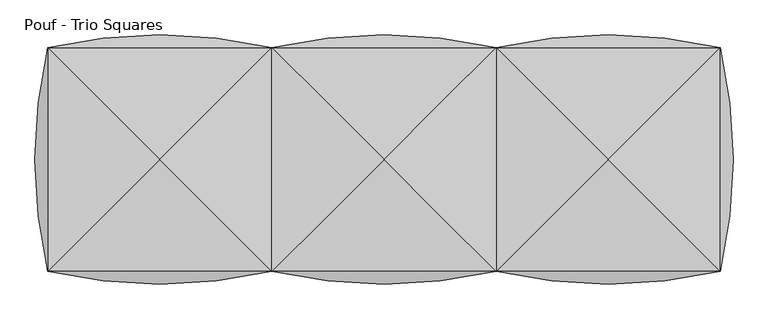
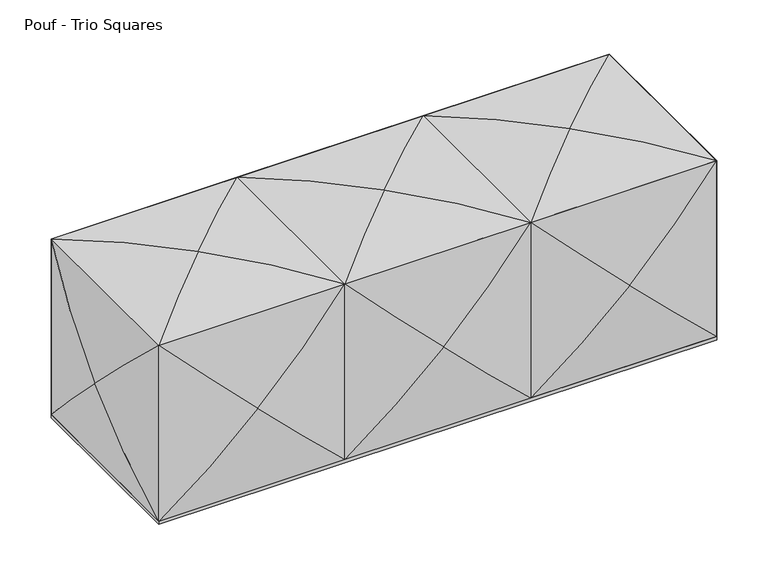
"""IFC4 building model written with IfcOpenShell, lengths in millimetres: furniture geometry, Pouf - Trio Squares."""

from ifc_helpers import new_model, si_unit, frame, origin, origin_with_axes, place, context, project, spatial, polyline, ellipse_curve, outline, extrude, source, transform, mapped, element, save
from ifc_brep_helpers import plane_surface, cylinder_surface, advanced_brep


def pouf_trio_squares_4c4eb444(model_context):
    return source(origin(), model_context, "Body", "SolidModel", [
        advanced_brep(
        [(86.487, -262.2530156, 458.216), (86.487, -262.2530156, 8.89), (535.813, -262.2530156, 8.89), (535.813, -262.2530156, 458.216), (311.15, -236.8530156, 233.553)],
        [
            (0, 1),
            (1, 2),
            (2, 3),
            (3, 0),
            (0, 4, ellipse_curve(frame((311.15, -1243.1251331, 233.553), z_axis=(-0.7071067811865464, 0.0, -0.7071067811865487), x_axis=(-0.7071067811865487, 0.0, 0.7071067811865465)), 1423.083676, 1006.2721175)),
            (4, 1, ellipse_curve(frame((311.15, -1243.1251331, 233.553), z_axis=(-0.7071067811865487, 0.0, 0.7071067811865464), x_axis=(0.7071067811865464, 0.0, 0.7071067811865486)), 1423.083676, 1006.2721175)),
            (2, 4, ellipse_curve(frame((311.15, -1243.1251331, 233.553), z_axis=(0.7071067811865464, 0.0, 0.7071067811865487), x_axis=(-0.7071067811865487, 0.0, 0.7071067811865465)), 1423.083676, 1006.2721175)),
            (4, 3, ellipse_curve(frame((311.15, -1243.1251331, 233.553), z_axis=(0.7071067811865487, 0.0, -0.7071067811865464), x_axis=(0.7071067811865464, 0.0, 0.7071067811865486)), 1423.083676, 1006.2721175)),
        ],
        [
            plane_surface(frame((86.487, -262.2530156, 458.216), z_axis=(0.0, -1.0, 0.0), x_axis=(0.0, 0.0, -1.0))),
            cylinder_surface(frame((311.15, -1243.1251331, 8.89), z_axis=(0.0, 0.0, 1.0), x_axis=(1.0, 0.0, 0.0)), 1006.2721175),
            cylinder_surface(frame((561.213, -1243.1251331, 233.553), z_axis=(1.0, 0.0, 0.0), x_axis=(0.0, -1.0, 0.0)), 1006.2721175),
        ],
        [
            (0, [[1, 2, 3, 4]]),
            (1, [[-1, 5, 6]]),
            (1, [[-3, 7, 8]]),
            (2, [[-2, -6, -7]]),
            (2, [[-4, -8, -5]]),
        ],
    ),
        advanced_brep(
        [(535.8143644, -262.2530156, 458.2146133), (535.8143644, -711.5790156, 458.2146133), (86.4883644, -711.5790156, 458.2146133), (86.4883644, -262.2530156, 458.2146133), (311.1513644, -486.9160156, 483.6146133)],
        [
            (0, 1),
            (1, 2),
            (2, 3),
            (3, 0),
            (0, 4, ellipse_curve(frame((311.1513644, -486.9160156, -522.6575042), z_axis=(0.7071067811865458, -0.7071067811865492, 0.0), x_axis=(0.7071067811865491, 0.7071067811865458, 0.0)), 1423.083676, 1006.2721175)),
            (4, 1, ellipse_curve(frame((311.1513644, -486.9160156, -522.6575042), z_axis=(0.7071067811865492, 0.7071067811865457, 0.0), x_axis=(-0.7071067811865457, 0.7071067811865492, 0.0)), 1423.083676, 1006.2721175)),
            (2, 4, ellipse_curve(frame((311.1513644, -486.9160156, -522.6575042), z_axis=(-0.7071067811865458, 0.7071067811865492, 0.0), x_axis=(0.7071067811865491, 0.7071067811865458, 0.0)), 1423.083676, 1006.2721175)),
            (4, 3, ellipse_curve(frame((311.1513644, -486.9160156, -522.6575042), z_axis=(-0.7071067811865492, -0.7071067811865457, 0.0), x_axis=(-0.7071067811865457, 0.7071067811865492, 0.0)), 1423.083676, 1006.2721175)),
        ],
        [
            plane_surface(frame((535.8143644, -262.2530156, 458.2146133), z_axis=(0.0, 0.0, -1.0), x_axis=(0.0, -1.0, 0.0))),
            cylinder_surface(frame((311.1513644, -711.5790156, -522.6575042), z_axis=(0.0, 1.0, 0.0), x_axis=(-1.0, 0.0, 0.0)), 1006.2721175),
            cylinder_surface(frame((61.087, -486.9160156, -522.6575042), z_axis=(-1.0, 0.0, 0.0), x_axis=(0.0, 1.0, 0.0)), 1006.2721175),
        ],
        [
            (0, [[1, 2, 3, 4]]),
            (1, [[-1, 5, 6]]),
            (1, [[-3, 7, 8]]),
            (2, [[-2, -6, -7]]),
            (2, [[-4, -8, -5]]),
        ],
    ),
        advanced_brep(
        [(535.813, -711.5790156, 458.216), (535.813, -711.5790156, 8.89), (86.487, -711.5790156, 8.89), (86.487, -711.5790156, 458.216), (311.15, -736.9790156, 233.553)],
        [
            (0, 1),
            (1, 2),
            (2, 3),
            (3, 0),
            (0, 4, ellipse_curve(frame((311.15, 269.2931019, 233.553), z_axis=(0.7071067811865464, 0.0, -0.7071067811865487), x_axis=(0.7071067811865487, 0.0, 0.7071067811865465)), 1423.083676, 1006.2721175)),
            (4, 1, ellipse_curve(frame((311.15, 269.2931019, 233.553), z_axis=(0.7071067811865487, 0.0, 0.7071067811865464), x_axis=(-0.7071067811865464, 0.0, 0.7071067811865486)), 1423.083676, 1006.2721175)),
            (2, 4, ellipse_curve(frame((311.15, 269.2931019, 233.553), z_axis=(-0.7071067811865464, 0.0, 0.7071067811865487), x_axis=(0.7071067811865487, 0.0, 0.7071067811865465)), 1423.083676, 1006.2721175)),
            (4, 3, ellipse_curve(frame((311.15, 269.2931019, 233.553), z_axis=(-0.7071067811865487, 0.0, -0.7071067811865464), x_axis=(-0.7071067811865464, 0.0, 0.7071067811865486)), 1423.083676, 1006.2721175)),
        ],
        [
            plane_surface(frame((535.813, -711.5790156, 458.216), z_axis=(0.0, 1.0, 0.0), x_axis=(0.0, 0.0, -1.0))),
            cylinder_surface(frame((311.15, 269.2931019, 8.89), z_axis=(0.0, 0.0, 1.0), x_axis=(-1.0, 0.0, 0.0)), 1006.2721175),
            cylinder_surface(frame((61.087, 269.2931019, 233.553), z_axis=(-1.0, 0.0, 0.0), x_axis=(0.0, 1.0, 0.0)), 1006.2721175),
        ],
        [
            (0, [[1, 2, 3, 4]]),
            (1, [[-1, 5, 6]]),
            (1, [[-3, 7, 8]]),
            (2, [[-2, -6, -7]]),
            (2, [[-4, -8, -5]]),
        ],
    ),
        advanced_brep(
        [(-362.839, -262.2530156, 458.216), (-362.839, -262.2530156, 8.89), (86.487, -262.2530156, 8.89), (86.487, -262.2530156, 458.216), (-138.176, -236.8530156, 233.553)],
        [
            (0, 1),
            (1, 2),
            (2, 3),
            (3, 0),
            (0, 4, ellipse_curve(frame((-138.176, -1243.1251331, 233.553), z_axis=(-0.7071067811865464, 0.0, -0.7071067811865487), x_axis=(-0.7071067811865487, 0.0, 0.7071067811865465)), 1423.083676, 1006.2721175)),
            (4, 1, ellipse_curve(frame((-138.176, -1243.1251331, 233.553), z_axis=(-0.7071067811865487, 0.0, 0.7071067811865464), x_axis=(0.7071067811865464, 0.0, 0.7071067811865486)), 1423.083676, 1006.2721175)),
            (2, 4, ellipse_curve(frame((-138.176, -1243.1251331, 233.553), z_axis=(0.7071067811865464, 0.0, 0.7071067811865487), x_axis=(-0.7071067811865487, 0.0, 0.7071067811865465)), 1423.083676, 1006.2721175)),
            (4, 3, ellipse_curve(frame((-138.176, -1243.1251331, 233.553), z_axis=(0.7071067811865487, 0.0, -0.7071067811865464), x_axis=(0.7071067811865464, 0.0, 0.7071067811865486)), 1423.083676, 1006.2721175)),
        ],
        [
            plane_surface(frame((-362.839, -262.2530156, 458.216), z_axis=(0.0, -1.0, 0.0), x_axis=(0.0, 0.0, -1.0))),
            cylinder_surface(frame((-138.176, -1243.1251331, 8.89), z_axis=(0.0, 0.0, 1.0), x_axis=(1.0, 0.0, 0.0)), 1006.2721175),
            cylinder_surface(frame((111.887, -1243.1251331, 233.553), z_axis=(1.0, 0.0, 0.0), x_axis=(0.0, -1.0, 0.0)), 1006.2721175),
        ],
        [
            (0, [[1, 2, 3, 4]]),
            (1, [[-1, 5, 6]]),
            (1, [[-3, 7, 8]]),
            (2, [[-2, -6, -7]]),
            (2, [[-4, -8, -5]]),
        ],
    ),
        advanced_brep(
        [(86.4883644, -262.2530156, 458.2146133), (86.4883644, -711.5790156, 458.2146133), (-362.8376356, -711.5790156, 458.2146133), (-362.8376356, -262.2530156, 458.2146133), (-138.1746356, -486.9160156, 483.6146133)],
        [
            (0, 1),
            (1, 2),
            (2, 3),
            (3, 0),
            (0, 4, ellipse_curve(frame((-138.1746356, -486.9160156, -522.6575042), z_axis=(0.7071067811865458, -0.7071067811865492, 0.0), x_axis=(0.7071067811865491, 0.7071067811865458, 0.0)), 1423.083676, 1006.2721175)),
            (4, 1, ellipse_curve(frame((-138.1746356, -486.9160156, -522.6575042), z_axis=(0.7071067811865492, 0.7071067811865457, 0.0), x_axis=(-0.7071067811865457, 0.7071067811865492, 0.0)), 1423.083676, 1006.2721175)),
            (2, 4, ellipse_curve(frame((-138.1746356, -486.9160156, -522.6575042), z_axis=(-0.7071067811865458, 0.7071067811865492, 0.0), x_axis=(0.7071067811865491, 0.7071067811865458, 0.0)), 1423.083676, 1006.2721175)),
            (4, 3, ellipse_curve(frame((-138.1746356, -486.9160156, -522.6575042), z_axis=(-0.7071067811865492, -0.7071067811865457, 0.0), x_axis=(-0.7071067811865457, 0.7071067811865492, 0.0)), 1423.083676, 1006.2721175)),
        ],
        [
            plane_surface(frame((86.4883644, -262.2530156, 458.2146133), z_axis=(0.0, 0.0, -1.0), x_axis=(0.0, -1.0, 0.0))),
            cylinder_surface(frame((-138.1746356, -711.5790156, -522.6575042), z_axis=(0.0, 1.0, 0.0), x_axis=(-1.0, 0.0, 0.0)), 1006.2721175),
            cylinder_surface(frame((-388.239, -486.9160156, -522.6575042), z_axis=(-1.0, 0.0, 0.0), x_axis=(0.0, 1.0, 0.0)), 1006.2721175),
        ],
        [
            (0, [[1, 2, 3, 4]]),
            (1, [[-1, 5, 6]]),
            (1, [[-3, 7, 8]]),
            (2, [[-2, -6, -7]]),
            (2, [[-4, -8, -5]]),
        ],
    ),
        advanced_brep(
        [(86.487, -711.5790156, 458.216), (86.487, -711.5790156, 8.89), (-362.839, -711.5790156, 8.89), (-362.839, -711.5790156, 458.216), (-138.176, -736.9790156, 233.553)],
        [
            (0, 1),
            (1, 2),
            (2, 3),
            (3, 0),
            (0, 4, ellipse_curve(frame((-138.176, 269.2931019, 233.553), z_axis=(0.7071067811865464, 0.0, -0.7071067811865487), x_axis=(0.7071067811865487, 0.0, 0.7071067811865465)), 1423.083676, 1006.2721175)),
            (4, 1, ellipse_curve(frame((-138.176, 269.2931019, 233.553), z_axis=(0.7071067811865487, 0.0, 0.7071067811865464), x_axis=(-0.7071067811865464, 0.0, 0.7071067811865486)), 1423.083676, 1006.2721175)),
            (2, 4, ellipse_curve(frame((-138.176, 269.2931019, 233.553), z_axis=(-0.7071067811865464, 0.0, 0.7071067811865487), x_axis=(0.7071067811865487, 0.0, 0.7071067811865465)), 1423.083676, 1006.2721175)),
            (4, 3, ellipse_curve(frame((-138.176, 269.2931019, 233.553), z_axis=(-0.7071067811865487, 0.0, -0.7071067811865464), x_axis=(-0.7071067811865464, 0.0, 0.7071067811865486)), 1423.083676, 1006.2721175)),
        ],
        [
            plane_surface(frame((86.487, -711.5790156, 458.216), z_axis=(0.0, 1.0, 0.0), x_axis=(0.0, 0.0, -1.0))),
            cylinder_surface(frame((-138.176, 269.2931019, 8.89), z_axis=(0.0, 0.0, 1.0), x_axis=(-1.0, 0.0, 0.0)), 1006.2721175),
            cylinder_surface(frame((-388.239, 269.2931019, 233.553), z_axis=(-1.0, 0.0, 0.0), x_axis=(0.0, 1.0, 0.0)), 1006.2721175),
        ],
        [
            (0, [[1, 2, 3, 4]]),
            (1, [[-1, 5, 6]]),
            (1, [[-3, 7, 8]]),
            (2, [[-2, -6, -7]]),
            (2, [[-4, -8, -5]]),
        ],
    ),
        advanced_brep(
        [(-362.839, -711.5790156, 458.216), (-362.839, -711.5790156, 8.89), (-362.839, -262.2530156, 8.89), (-362.839, -262.2530156, 458.216), (-388.239, -486.9160156, 233.553)],
        [
            (0, 1),
            (1, 2),
            (2, 3),
            (3, 0),
            (0, 4, ellipse_curve(frame((618.0331175, -486.9160156, 233.553), z_axis=(0.0, -0.7071067811865464, -0.7071067811865487), x_axis=(0.0, -0.7071067811865487, 0.7071067811865465)), 1423.083676, 1006.2721175)),
            (4, 1, ellipse_curve(frame((618.0331175, -486.9160156, 233.553), z_axis=(0.0, -0.7071067811865487, 0.7071067811865464), x_axis=(0.0, 0.7071067811865464, 0.7071067811865486)), 1423.083676, 1006.2721175)),
            (2, 4, ellipse_curve(frame((618.0331175, -486.9160156, 233.553), z_axis=(0.0, 0.7071067811865464, 0.7071067811865487), x_axis=(0.0, -0.7071067811865487, 0.7071067811865465)), 1423.083676, 1006.2721175)),
            (4, 3, ellipse_curve(frame((618.0331175, -486.9160156, 233.553), z_axis=(0.0, 0.7071067811865487, -0.7071067811865464), x_axis=(0.0, 0.7071067811865464, 0.7071067811865486)), 1423.083676, 1006.2721175)),
        ],
        [
            plane_surface(frame((-362.839, -711.5790156, 458.216), z_axis=(1.0, 0.0, 0.0), x_axis=(0.0, 0.0, -1.0))),
            cylinder_surface(frame((618.0331175, -486.9160156, 8.89), z_axis=(0.0, 0.0, 1.0), x_axis=(0.0, 1.0, 0.0)), 1006.2721175),
            cylinder_surface(frame((618.0331175, -236.8530156, 233.553), z_axis=(0.0, 1.0, 0.0), x_axis=(1.0, 0.0, 0.0)), 1006.2721175),
        ],
        [
            (0, [[1, 2, 3, 4]]),
            (1, [[-1, 5, 6]]),
            (1, [[-3, 7, 8]]),
            (2, [[-2, -6, -7]]),
            (2, [[-4, -8, -5]]),
        ],
    ),
        advanced_brep(
        [(535.813, -262.2530156, 458.216), (535.813, -262.2530156, 8.89), (985.139, -262.2530156, 8.89), (985.139, -262.2530156, 458.216), (760.476, -236.8530156, 233.553)],
        [
            (0, 1),
            (1, 2),
            (2, 3),
            (3, 0),
            (0, 4, ellipse_curve(frame((760.476, -1243.1251331, 233.553), z_axis=(-0.7071067811865464, 0.0, -0.7071067811865487), x_axis=(-0.7071067811865487, 0.0, 0.7071067811865465)), 1423.083676, 1006.2721175)),
            (4, 1, ellipse_curve(frame((760.476, -1243.1251331, 233.553), z_axis=(-0.7071067811865487, 0.0, 0.7071067811865464), x_axis=(0.7071067811865464, 0.0, 0.7071067811865486)), 1423.083676, 1006.2721175)),
            (2, 4, ellipse_curve(frame((760.476, -1243.1251331, 233.553), z_axis=(0.7071067811865464, 0.0, 0.7071067811865487), x_axis=(-0.7071067811865487, 0.0, 0.7071067811865465)), 1423.083676, 1006.2721175)),
            (4, 3, ellipse_curve(frame((760.476, -1243.1251331, 233.553), z_axis=(0.7071067811865487, 0.0, -0.7071067811865464), x_axis=(0.7071067811865464, 0.0, 0.7071067811865486)), 1423.083676, 1006.2721175)),
        ],
        [
            plane_surface(frame((535.813, -262.2530156, 458.216), z_axis=(0.0, -1.0, 0.0), x_axis=(0.0, 0.0, -1.0))),
            cylinder_surface(frame((760.476, -1243.1251331, 8.89), z_axis=(0.0, 0.0, 1.0), x_axis=(1.0, 0.0, 0.0)), 1006.2721175),
            cylinder_surface(frame((1010.539, -1243.1251331, 233.553), z_axis=(1.0, 0.0, 0.0), x_axis=(0.0, -1.0, 0.0)), 1006.2721175),
        ],
        [
            (0, [[1, 2, 3, 4]]),
            (1, [[-1, 5, 6]]),
            (1, [[-3, 7, 8]]),
            (2, [[-2, -6, -7]]),
            (2, [[-4, -8, -5]]),
        ],
    ),
        advanced_brep(
        [(985.139, -262.2530156, 458.216), (985.139, -262.2530156, 8.89), (985.139, -711.5790156, 8.89), (985.139, -711.5790156, 458.216), (1010.539, -486.9160156, 233.553)],
        [
            (0, 1),
            (1, 2),
            (2, 3),
            (3, 0),
            (0, 4, ellipse_curve(frame((4.2668825, -486.9160156, 233.553), z_axis=(0.0, 0.7071067811865464, -0.7071067811865487), x_axis=(0.0, 0.7071067811865487, 0.7071067811865465)), 1423.083676, 1006.2721175)),
            (4, 1, ellipse_curve(frame((4.2668825, -486.9160156, 233.553), z_axis=(0.0, 0.7071067811865487, 0.7071067811865464), x_axis=(0.0, -0.7071067811865464, 0.7071067811865486)), 1423.083676, 1006.2721175)),
            (2, 4, ellipse_curve(frame((4.2668825, -486.9160156, 233.553), z_axis=(0.0, -0.7071067811865464, 0.7071067811865487), x_axis=(0.0, 0.7071067811865487, 0.7071067811865465)), 1423.083676, 1006.2721175)),
            (4, 3, ellipse_curve(frame((4.2668825, -486.9160156, 233.553), z_axis=(0.0, -0.7071067811865487, -0.7071067811865464), x_axis=(0.0, -0.7071067811865464, 0.7071067811865486)), 1423.083676, 1006.2721175)),
        ],
        [
            plane_surface(frame((985.139, -262.2530156, 458.216), z_axis=(-1.0, 0.0, 0.0), x_axis=(0.0, 0.0, -1.0))),
            cylinder_surface(frame((4.2668825, -486.9160156, 8.89), z_axis=(0.0, 0.0, 1.0), x_axis=(0.0, -1.0, 0.0)), 1006.2721175),
            cylinder_surface(frame((4.2668825, -736.9790156, 233.553), z_axis=(0.0, -1.0, 0.0), x_axis=(-1.0, 0.0, 0.0)), 1006.2721175),
        ],
        [
            (0, [[1, 2, 3, 4]]),
            (1, [[-1, 5, 6]]),
            (1, [[-3, 7, 8]]),
            (2, [[-2, -6, -7]]),
            (2, [[-4, -8, -5]]),
        ],
    ),
        extrude(outline(polyline([(985.139, -262.2530156), (985.139, -711.5790156), (-362.839, -711.5790156), (-362.839, -262.2530156), (985.139, -262.2530156)])), origin_with_axes(), (0.0, 0.0, 1.0), 8.9961556),
        advanced_brep(
        [(985.1403644, -262.2530156, 458.2146133), (985.1403644, -711.5790156, 458.2146133), (535.8143644, -711.5790156, 458.2146133), (535.8143644, -262.2530156, 458.2146133), (760.4773644, -486.9160156, 483.6146133)],
        [
            (0, 1),
            (1, 2),
            (2, 3),
            (3, 0),
            (0, 4, ellipse_curve(frame((760.4773644, -486.9160156, -522.6575042), z_axis=(0.7071067811865458, -0.7071067811865492, 0.0), x_axis=(0.7071067811865491, 0.7071067811865458, 0.0)), 1423.083676, 1006.2721175)),
            (4, 1, ellipse_curve(frame((760.4773644, -486.9160156, -522.6575042), z_axis=(0.7071067811865492, 0.7071067811865457, 0.0), x_axis=(-0.7071067811865457, 0.7071067811865492, 0.0)), 1423.083676, 1006.2721175)),
            (2, 4, ellipse_curve(frame((760.4773644, -486.9160156, -522.6575042), z_axis=(-0.7071067811865458, 0.7071067811865492, 0.0), x_axis=(0.7071067811865491, 0.7071067811865458, 0.0)), 1423.083676, 1006.2721175)),
            (4, 3, ellipse_curve(frame((760.4773644, -486.9160156, -522.6575042), z_axis=(-0.7071067811865492, -0.7071067811865457, 0.0), x_axis=(-0.7071067811865457, 0.7071067811865492, 0.0)), 1423.083676, 1006.2721175)),
        ],
        [
            plane_surface(frame((985.1403644, -262.2530156, 458.2146133), z_axis=(0.0, 0.0, -1.0), x_axis=(0.0, -1.0, 0.0))),
            cylinder_surface(frame((760.4773644, -711.5790156, -522.6575042), z_axis=(0.0, 1.0, 0.0), x_axis=(-1.0, 0.0, 0.0)), 1006.2721175),
            cylinder_surface(frame((510.413, -486.9160156, -522.6575042), z_axis=(-1.0, 0.0, 0.0), x_axis=(0.0, 1.0, 0.0)), 1006.2721175),
        ],
        [
            (0, [[1, 2, 3, 4]]),
            (1, [[-1, 5, 6]]),
            (1, [[-3, 7, 8]]),
            (2, [[-2, -6, -7]]),
            (2, [[-4, -8, -5]]),
        ],
    ),
        advanced_brep(
        [(985.139, -711.5790156, 458.216), (985.139, -711.5790156, 8.89), (535.813, -711.5790156, 8.89), (535.813, -711.5790156, 458.216), (760.476, -736.9790156, 233.553)],
        [
            (0, 1),
            (1, 2),
            (2, 3),
            (3, 0),
            (0, 4, ellipse_curve(frame((760.476, 269.2931019, 233.553), z_axis=(0.7071067811865464, 0.0, -0.7071067811865487), x_axis=(0.7071067811865487, 0.0, 0.7071067811865465)), 1423.083676, 1006.2721175)),
            (4, 1, ellipse_curve(frame((760.476, 269.2931019, 233.553), z_axis=(0.7071067811865487, 0.0, 0.7071067811865464), x_axis=(-0.7071067811865464, 0.0, 0.7071067811865486)), 1423.083676, 1006.2721175)),
            (2, 4, ellipse_curve(frame((760.476, 269.2931019, 233.553), z_axis=(-0.7071067811865464, 0.0, 0.7071067811865487), x_axis=(0.7071067811865487, 0.0, 0.7071067811865465)), 1423.083676, 1006.2721175)),
            (4, 3, ellipse_curve(frame((760.476, 269.2931019, 233.553), z_axis=(-0.7071067811865487, 0.0, -0.7071067811865464), x_axis=(-0.7071067811865464, 0.0, 0.7071067811865486)), 1423.083676, 1006.2721175)),
        ],
        [
            plane_surface(frame((985.139, -711.5790156, 458.216), z_axis=(0.0, 1.0, 0.0), x_axis=(0.0, 0.0, -1.0))),
            cylinder_surface(frame((760.476, 269.2931019, 8.89), z_axis=(0.0, 0.0, 1.0), x_axis=(-1.0, 0.0, 0.0)), 1006.2721175),
            cylinder_surface(frame((510.413, 269.2931019, 233.553), z_axis=(-1.0, 0.0, 0.0), x_axis=(0.0, 1.0, 0.0)), 1006.2721175),
        ],
        [
            (0, [[1, 2, 3, 4]]),
            (1, [[-1, 5, 6]]),
            (1, [[-3, 7, 8]]),
            (2, [[-2, -6, -7]]),
            (2, [[-4, -8, -5]]),
        ],
    ),
        extrude(outline(polyline([(985.139, -262.2530156), (985.139, -711.5790156), (-362.839, -711.5790156), (-362.839, -262.2530156), (985.139, -262.2530156)])), frame((0.0, 0.0, 8.89), z_axis=(0.0, 0.0, 1.0), x_axis=(1.0, 0.0, 0.0)), (0.0, 0.0, 1.0), 449.326),
    ])


if __name__ == "__main__":
    model = new_model("IFC4")
    model_context = context("Model", 3, world=origin())
    ifc_project = project(units=[si_unit("LENGTHUNIT", "METRE", prefix="MILLI")], contexts=[model_context])
    site = spatial("IfcSite", under=ifc_project)
    building = spatial("IfcBuilding", under=site)
    placement = place(None, origin())
    pouf_trio_squares_shape = pouf_trio_squares_4c4eb444(model_context)
    element("IfcFurniture", 1, ObjectType="Pouf - Trio Squares", at=placement, inside=building, context=model_context, shape_type="MappedRepresentation", body=[
        mapped(pouf_trio_squares_shape, transform((0.0, 0.0, 0.0), x_axis=(1.0, 0.0, 0.0), y_axis=(0.0, 1.0, 0.0), z_axis=(0.0, 0.0, 1.0))),
    ])
    save(model, "model.ifc")
